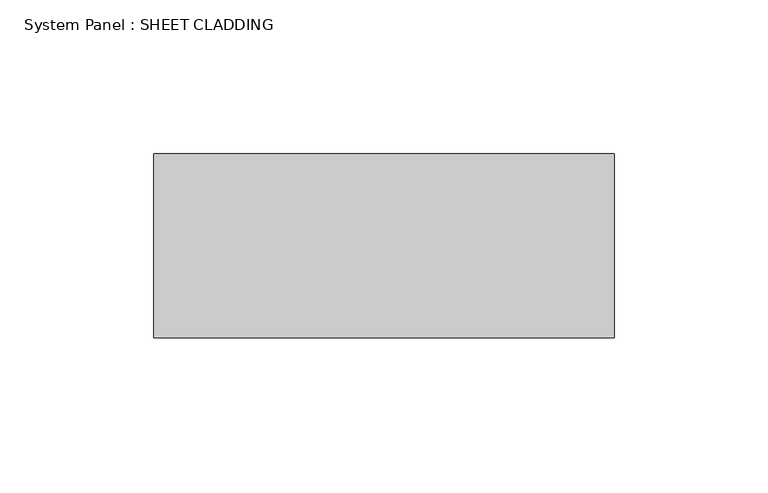
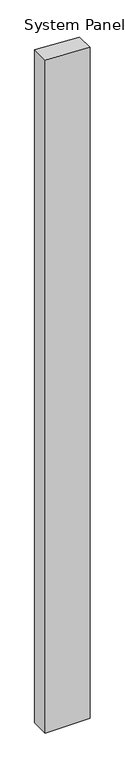
"""IFC4 building model written with IfcOpenShell, lengths in millimetres: plate geometry, System Panel : SHEET CLADDING."""

from ifc_helpers import new_model, si_unit, frame, origin, place, context, project, spatial, polyline, outline, extrude, source, transform, mapped, element, save


def system_panel_sheet_cladding_5a373392(model_context):
    return source(origin(), model_context, "Body", "SweptSolid", [
        extrude(outline(polyline([(0.0, -74.9999998), (0.0, 74.9999998), (2365.0, 74.9999998), (2372.5, -74.9999998), (0.0, -74.9999998)])), frame((0.0, -10.5, 0.0), z_axis=(0.0, 1.0, 0.0), x_axis=(0.0, 0.0, 1.0)), (0.0, 0.0, 1.0), 60.0),
    ])


if __name__ == "__main__":
    model = new_model("IFC4")
    model_context = context("Model", 3, world=origin())
    ifc_project = project(units=[si_unit("LENGTHUNIT", "METRE", prefix="MILLI")], contexts=[model_context])
    site = spatial("IfcSite", under=ifc_project)
    building = spatial("IfcBuilding", under=site)
    placement = place(None, origin())
    system_panel_sheet_cladding_shape = system_panel_sheet_cladding_5a373392(model_context)
    element("IfcPlate", 1, ObjectType="System Panel : SHEET CLADDING", at=placement, inside=building, context=model_context, shape_type="MappedRepresentation", body=[
        mapped(system_panel_sheet_cladding_shape, transform((0.0, 0.0, 0.0), x_axis=(1.0, 0.0, 0.0), y_axis=(0.0, 1.0, 0.0), z_axis=(0.0, 0.0, 1.0))),
    ])
    save(model, "model.ifc")
